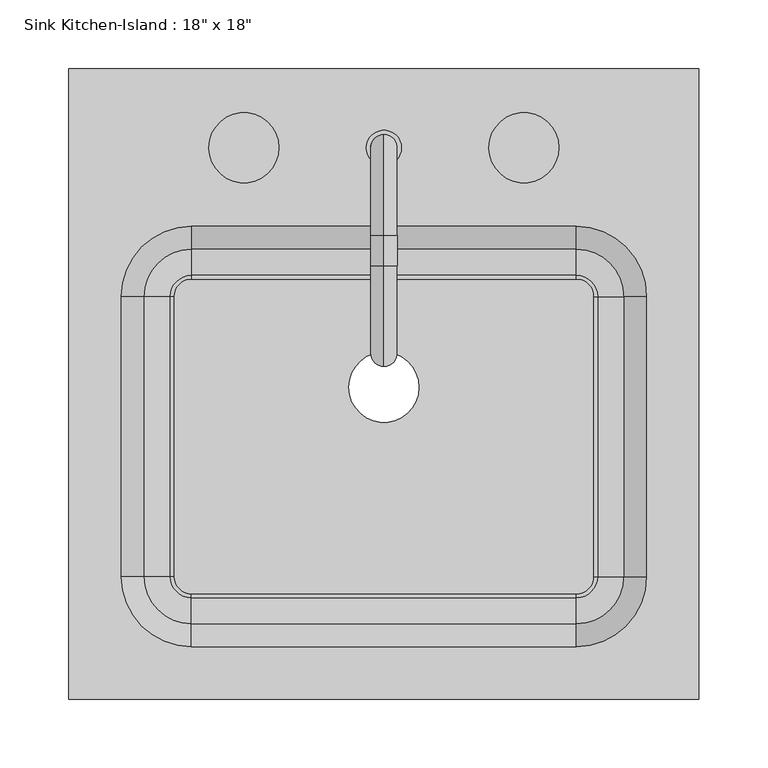
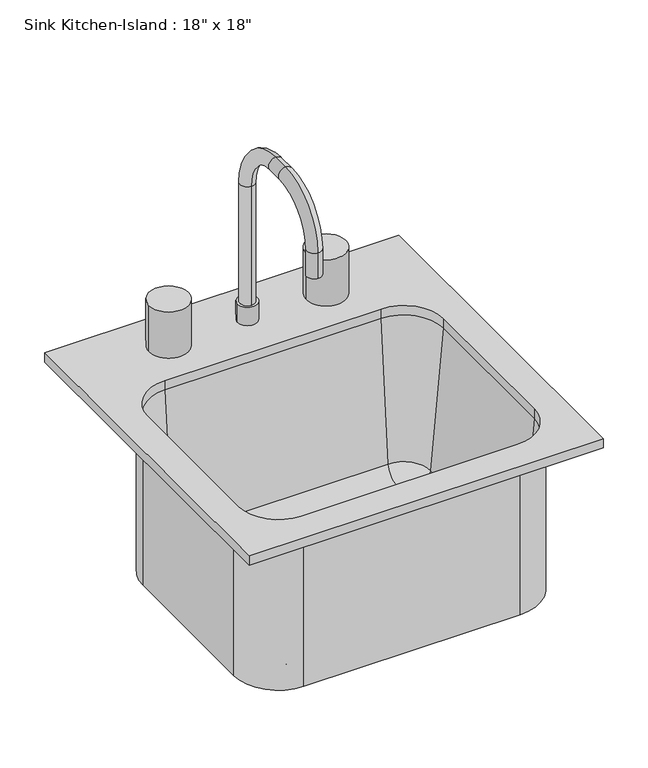
"""IFC4 building model written with IfcOpenShell, lengths in millimetres: flow terminal geometry."""

from ifc_helpers import new_model, si_unit, point, frame, frame_2d, origin, place, context, project, spatial, polyline, circle_curve, ellipse_curve, trimmed, segment, composite_curve, outline, extrude, source, transform, mapped, element, save
from ifc_brep_helpers import plane_surface, cylinder_surface, revolved_surface, advanced_brep


def flow_terminal_871c2e40(model_context):
    return source(origin(), model_context, "Body", "SolidModel", [
        advanced_brep(
        [(244.2892406, 230.9454011, 927.1), (-212.9107594, 230.9454011, 927.1), (-212.9107594, -226.2545989, 927.1), (244.2892406, -226.2545989, 927.1), (155.3892406, 116.6454011, 927.1), (206.1892406, 65.8454011, 927.1), (206.1892406, -137.3545989, 927.1), (155.3892406, -188.1545989, 927.1), (-124.0107594, -188.1545989, 927.1), (-174.8107594, -137.3545989, 927.1), (-174.8107594, 65.8454011, 927.1), (-124.0107594, 116.6454011, 927.1), (244.2892406, 230.9454011, 914.4), (244.2892406, -226.2545989, 914.4), (-212.9107594, -226.2545989, 914.4), (-212.9107594, 230.9454011, 914.4), (212.5392406, 65.8454011, 914.4), (155.3892406, 122.9954011, 914.4), (-124.0107594, 122.9954011, 914.4), (-181.1607594, 65.8454011, 914.4), (-181.1607594, -137.3545989, 914.4), (-124.0107594, -194.5045989, 914.4), (155.3892406, -194.5045989, 914.4), (212.5392406, -137.3545989, 914.4), (155.3892406, 116.6454011, 914.4), (206.1892406, 65.8454011, 914.4), (206.1892406, -137.3545989, 914.4), (155.3892406, -188.1545989, 914.4), (-124.0107594, -188.1545989, 914.4), (-174.8107594, -137.3545989, 914.4), (-174.8107594, 65.8454011, 914.4), (-124.0107594, 116.6454011, 914.4), (212.5392406, 65.8454011, 698.5), (155.3892406, 122.9954011, 698.5), (168.0892406, 65.8454011, 698.5), (155.3892406, 78.5454011, 698.5), (168.0892406, 65.8454011, 708.025), (155.3892406, 78.5454011, 708.025), (170.6776588, 65.8454011, 708.025), (155.3892406, 81.1338193, 708.025), (189.6551678, 65.8454011, 725.4146831), (155.3892406, 100.1113283, 725.4146831), (212.5392406, -137.3545989, 698.5), (168.0892406, -137.3545989, 698.5), (168.0892406, -137.3545989, 708.025), (170.6776588, -137.3545989, 708.025), (189.6551678, -137.3545989, 725.4146831), (155.3892406, -194.5045989, 698.5), (155.3892406, -150.0545989, 698.5), (155.3892406, -150.0545989, 708.025), (155.3892406, -152.6430171, 708.025), (155.3892406, -171.6205261, 725.4146831), (-124.0107594, -194.5045989, 698.5), (-124.0107594, -150.0545989, 698.5), (-124.0107594, -150.0545989, 708.025), (-124.0107594, -152.6430171, 708.025), (-124.0107594, -171.6205261, 725.4146831), (-181.1607594, -137.3545989, 698.5), (-136.7107594, -137.3545989, 698.5), (-136.7107594, -137.3545989, 708.025), (-139.2991776, -137.3545989, 708.025), (-158.2766866, -137.3545989, 725.4146831), (-181.1607594, 65.8454011, 698.5), (-136.7107594, 65.8454011, 698.5), (-136.7107594, 65.8454011, 708.025), (-139.2991776, 65.8454011, 708.025), (-158.2766866, 65.8454011, 725.4146831), (-124.0107594, 122.9954011, 698.5), (-124.0107594, 78.5454011, 698.5), (-124.0107594, 78.5454011, 708.025), (-124.0107594, 81.1338193, 708.025), (-124.0107594, 100.1113283, 725.4146831)],
        [
            (0, 1),
            (1, 2),
            (2, 3),
            (3, 0),
            (4, 5, circle_curve(frame((155.3892406, 65.8454011, 927.1), z_axis=(0.0, 0.0, -1.0), x_axis=(1.0, 0.0, 0.0)), 50.8)),
            (5, 6),
            (6, 7, circle_curve(frame((155.3892406, -137.3545989, 927.1), z_axis=(0.0, 0.0, -1.0), x_axis=(1.0, 0.0, 0.0)), 50.8)),
            (7, 8),
            (8, 9, circle_curve(frame((-124.0107594, -137.3545989, 927.1), z_axis=(0.0, 0.0, -1.0), x_axis=(1.0, 0.0, 0.0)), 50.8)),
            (9, 10),
            (10, 11, circle_curve(frame((-124.0107594, 65.8454011, 927.1), z_axis=(0.0, 0.0, -1.0), x_axis=(1.0, 0.0, 0.0)), 50.8)),
            (11, 4),
            (12, 13),
            (13, 14),
            (14, 15),
            (15, 12),
            (16, 17, circle_curve(frame((155.3892406, 65.8454011, 914.4), z_axis=(0.0, 0.0, 1.0), x_axis=(0.0, 1.0, 0.0)), 57.15)),
            (17, 18),
            (18, 19, circle_curve(frame((-124.0107594, 65.8454011, 914.4), z_axis=(0.0, 0.0, 1.0), x_axis=(-1.0, 0.0, 0.0)), 57.15)),
            (19, 20),
            (20, 21, circle_curve(frame((-124.0107594, -137.3545989, 914.4), z_axis=(0.0, 0.0, 1.0), x_axis=(0.0, -1.0, 0.0)), 57.15)),
            (21, 22),
            (22, 23, circle_curve(frame((155.3892406, -137.3545989, 914.4), z_axis=(0.0, 0.0, 1.0), x_axis=(1.0, 0.0, 0.0)), 57.15)),
            (23, 16),
            (0, 12),
            (15, 1),
            (14, 2),
            (13, 3),
            (4, 24),
            (24, 25, circle_curve(frame((155.3892406, 65.8454011, 914.4), z_axis=(0.0, 0.0, -1.0), x_axis=(1.0, 0.0, 0.0)), 50.8)),
            (25, 5),
            (25, 26),
            (26, 6),
            (26, 27, circle_curve(frame((155.3892406, -137.3545989, 914.4), z_axis=(0.0, 0.0, -1.0), x_axis=(1.0, 0.0, 0.0)), 50.8)),
            (27, 7),
            (27, 28),
            (28, 8),
            (28, 29, circle_curve(frame((-124.0107594, -137.3545989, 914.4), z_axis=(0.0, 0.0, -1.0), x_axis=(1.0, 0.0, 0.0)), 50.8)),
            (29, 9),
            (29, 30),
            (30, 10),
            (30, 31, circle_curve(frame((-124.0107594, 65.8454011, 914.4), z_axis=(0.0, 0.0, -1.0), x_axis=(1.0, 0.0, 0.0)), 50.8)),
            (31, 11),
            (31, 24),
            (32, 33, circle_curve(frame((155.3892406, 65.8454011, 698.5), z_axis=(0.0, 0.0, 1.0), x_axis=(0.0, 1.0, 0.0)), 57.15)),
            (33, 17),
            (16, 32),
            (32, 34),
            (34, 35, circle_curve(frame((155.3892406, 65.8454011, 698.5), z_axis=(0.0, 0.0, 1.0), x_axis=(0.0, 1.0, 0.0)), 12.7)),
            (35, 33),
            (34, 36),
            (36, 37, circle_curve(frame((155.3892406, 65.8454011, 708.025), z_axis=(0.0, 0.0, 1.0), x_axis=(0.0, 1.0, 0.0)), 12.7)),
            (37, 35),
            (36, 38),
            (38, 39, circle_curve(frame((155.3892406, 65.8454011, 708.025), z_axis=(0.0, 0.0, 1.0), x_axis=(0.0, 1.0, 0.0)), 15.2884182)),
            (39, 37),
            (38, 40, circle_curve(frame((170.6776588, 65.8454011, 727.075), z_axis=(0.0, -1.0, 0.0), x_axis=(1.0, 0.0, 0.0)), 19.05)),
            (40, 41, circle_curve(frame((155.3892406, 65.8454011, 725.4146831), z_axis=(0.0, 0.0, 1.0), x_axis=(0.0, 1.0, 0.0)), 34.2659272)),
            (41, 39, circle_curve(frame((155.3892406, 81.1338193, 727.075), z_axis=(-1.0, 0.0, 0.0), x_axis=(0.0, 1.0, 0.0)), 19.05)),
            (40, 25),
            (24, 41),
            (23, 42),
            (42, 32),
            (42, 43),
            (43, 34),
            (43, 44),
            (44, 36),
            (44, 45),
            (45, 38),
            (45, 46, circle_curve(frame((170.6776588, -137.3545989, 727.075), z_axis=(0.0, -1.0, 0.0), x_axis=(1.0, 0.0, 0.0)), 19.05)),
            (46, 40),
            (46, 26),
            (22, 47),
            (47, 42, circle_curve(frame((155.3892406, -137.3545989, 698.5), z_axis=(0.0, 0.0, 1.0), x_axis=(1.0, 0.0, 0.0)), 57.15)),
            (47, 48),
            (48, 43, circle_curve(frame((155.3892406, -137.3545989, 698.5), z_axis=(0.0, 0.0, 1.0), x_axis=(1.0, 0.0, 0.0)), 12.7)),
            (48, 49),
            (49, 44, circle_curve(frame((155.3892406, -137.3545989, 708.025), z_axis=(0.0, 0.0, 1.0), x_axis=(1.0, 0.0, 0.0)), 12.7)),
            (49, 50),
            (50, 45, circle_curve(frame((155.3892406, -137.3545989, 708.025), z_axis=(0.0, 0.0, 1.0), x_axis=(1.0, 0.0, 0.0)), 15.2884182)),
            (50, 51, circle_curve(frame((155.3892406, -152.6430171, 727.075), z_axis=(-1.0, 0.0, 0.0), x_axis=(0.0, -1.0, 0.0)), 19.05)),
            (51, 46, circle_curve(frame((155.3892406, -137.3545989, 725.4146831), z_axis=(0.0, 0.0, 1.0), x_axis=(1.0, 0.0, 0.0)), 34.2659272)),
            (51, 27),
            (21, 52),
            (52, 47),
            (52, 53),
            (53, 48),
            (53, 54),
            (54, 49),
            (54, 55),
            (55, 50),
            (55, 56, circle_curve(frame((-124.0107594, -152.6430171, 727.075), z_axis=(-1.0, 0.0, 0.0), x_axis=(0.0, -1.0, 0.0)), 19.05)),
            (56, 51),
            (56, 28),
            (20, 57),
            (57, 52, circle_curve(frame((-124.0107594, -137.3545989, 698.5), z_axis=(0.0, 0.0, 1.0), x_axis=(0.0, -1.0, 0.0)), 57.15)),
            (57, 58),
            (58, 53, circle_curve(frame((-124.0107594, -137.3545989, 698.5), z_axis=(0.0, 0.0, 1.0), x_axis=(0.0, -1.0, 0.0)), 12.7)),
            (58, 59),
            (59, 54, circle_curve(frame((-124.0107594, -137.3545989, 708.025), z_axis=(0.0, 0.0, 1.0), x_axis=(0.0, -1.0, 0.0)), 12.7)),
            (59, 60),
            (60, 55, circle_curve(frame((-124.0107594, -137.3545989, 708.025), z_axis=(0.0, 0.0, 1.0), x_axis=(0.0, -1.0, 0.0)), 15.2884182)),
            (60, 61, circle_curve(frame((-139.2991776, -137.3545989, 727.075), z_axis=(0.0, 1.0, 0.0), x_axis=(-1.0, 0.0, 0.0)), 19.05)),
            (61, 56, circle_curve(frame((-124.0107594, -137.3545989, 725.4146831), z_axis=(0.0, 0.0, 1.0), x_axis=(0.0, -1.0, 0.0)), 34.2659272)),
            (61, 29),
            (19, 62),
            (62, 57),
            (62, 63),
            (63, 58),
            (63, 64),
            (64, 59),
            (64, 65),
            (65, 60),
            (65, 66, circle_curve(frame((-139.2991776, 65.8454011, 727.075), z_axis=(0.0, 1.0, 0.0), x_axis=(-1.0, 0.0, 0.0)), 19.05)),
            (66, 61),
            (66, 30),
            (18, 67),
            (67, 62, circle_curve(frame((-124.0107594, 65.8454011, 698.5), z_axis=(0.0, 0.0, 1.0), x_axis=(-1.0, 0.0, 0.0)), 57.15)),
            (67, 68),
            (68, 63, circle_curve(frame((-124.0107594, 65.8454011, 698.5), z_axis=(0.0, 0.0, 1.0), x_axis=(-1.0, 0.0, 0.0)), 12.7)),
            (68, 69),
            (69, 64, circle_curve(frame((-124.0107594, 65.8454011, 708.025), z_axis=(0.0, 0.0, 1.0), x_axis=(-1.0, 0.0, 0.0)), 12.7)),
            (69, 70),
            (70, 65, circle_curve(frame((-124.0107594, 65.8454011, 708.025), z_axis=(0.0, 0.0, 1.0), x_axis=(-1.0, 0.0, 0.0)), 15.2884182)),
            (70, 71, circle_curve(frame((-124.0107594, 81.1338193, 727.075), z_axis=(1.0, 0.0, 0.0), x_axis=(0.0, 1.0, 0.0)), 19.05)),
            (71, 66, circle_curve(frame((-124.0107594, 65.8454011, 725.4146831), z_axis=(0.0, 0.0, 1.0), x_axis=(-1.0, 0.0, 0.0)), 34.2659272)),
            (71, 31),
            (33, 67),
            (35, 68),
            (37, 69),
            (39, 70),
            (41, 71),
        ],
        [
            plane_surface(frame((-212.9107594, 230.9454011, 927.1), z_axis=(0.0, 0.0, 1.0), x_axis=(-1.0, 0.0, 0.0))),
            plane_surface(frame((-212.9107594, 230.9454011, 914.4), z_axis=(0.0, 0.0, -1.0), x_axis=(1.0, 0.0, 0.0))),
            plane_surface(frame((244.2892406, 230.9454011, 927.1), z_axis=(0.0, 1.0, 0.0), x_axis=(0.0, 0.0, -1.0))),
            plane_surface(frame((-212.9107594, 230.9454011, 927.1), z_axis=(-1.0, 0.0, 0.0), x_axis=(0.0, 0.0, -1.0))),
            plane_surface(frame((-212.9107594, -226.2545989, 927.1), z_axis=(0.0, -1.0, 0.0), x_axis=(0.0, 0.0, -1.0))),
            plane_surface(frame((244.2892406, -226.2545989, 927.1), z_axis=(1.0, 0.0, 0.0), x_axis=(0.0, 0.0, -1.0))),
            revolved_surface(polyline([(206.1892406, 65.8454011, 914.4), (206.1892406, 65.8454011, 927.1)]), (155.3892406, 65.8454011, 0.0), (0.0, 0.0, -1.0)),
            plane_surface(frame((206.1892406, 65.8454011, 927.1), z_axis=(-1.0, 0.0, 0.0), x_axis=(0.0, 0.0, -1.0))),
            revolved_surface(polyline([(206.1892406, -137.3545989, 914.4), (206.1892406, -137.3545989, 927.1)]), (155.3892406, -137.3545989, 0.0), (0.0, 0.0, -1.0)),
            plane_surface(frame((155.3892406, -188.1545989, 927.1), z_axis=(0.0, 1.0, 0.0), x_axis=(0.0, 0.0, -1.0))),
            revolved_surface(polyline([(-73.2107594, -137.3545989, 914.4), (-73.2107594, -137.3545989, 927.1)]), (-124.0107594, -137.3545989, 0.0), (0.0, 0.0, -1.0)),
            plane_surface(frame((-174.8107594, -137.3545989, 927.1), z_axis=(1.0, 0.0, 0.0), x_axis=(0.0, 0.0, -1.0))),
            revolved_surface(polyline([(-73.2107594, 65.8454011, 914.4), (-73.2107594, 65.8454011, 927.1)]), (-124.0107594, 65.8454011, 0.0), (0.0, 0.0, -1.0)),
            plane_surface(frame((-124.0107594, 116.6454011, 927.1), z_axis=(0.0, -1.0, 0.0), x_axis=(0.0, 0.0, -1.0))),
            cylinder_surface(frame((155.3892406, 65.8454011, 0.0), z_axis=(0.0, 0.0, -1.0), x_axis=(0.0, 1.0, 0.0)), 57.15),
            plane_surface(frame((155.3892406, 65.8454011, 698.5), z_axis=(0.0, 0.0, -1.0), x_axis=(0.0, 1.0, 0.0))),
            revolved_surface(polyline([(155.3892406, 78.5454011, 698.5), (155.3892406, 78.5454011, 708.025)]), (155.3892406, 65.8454011, 0.0), (0.0, 0.0, -1.0)),
            plane_surface(frame((155.3892406, 65.8454011, 708.025), z_axis=(0.0, 0.0, 1.0), x_axis=(0.0, 1.0, 0.0))),
            revolved_surface(trimmed(ellipse_curve(frame((155.3892406, 81.1338193, 727.075), z_axis=(1.0, 0.0, 0.0), x_axis=(0.0, 1.0, 0.0)), 19.05, 19.05), [point((155.3892406, 81.1338193, 708.025))], [point((155.3892406, 100.1113283, 725.4146831))], True, "CARTESIAN"), (155.3892406, 65.8454011, 0.0), (0.0, 0.0, -1.0)),
            revolved_surface(polyline([(155.3892406, 100.1113283, 725.4146831), (155.3892406, 116.6454011, 914.4)]), (155.3892406, 65.8454011, 0.0), (0.0, 0.0, -1.0)),
            plane_surface(frame((212.5392406, 65.8454011, 914.4), z_axis=(1.0, 0.0, 0.0), x_axis=(0.0, -1.0, 0.0))),
            plane_surface(frame((212.5392406, 65.8454011, 698.5), z_axis=(0.0, 0.0, -1.0), x_axis=(0.0, -1.0, 0.0))),
            plane_surface(frame((168.0892406, 65.8454011, 698.5), z_axis=(-1.0, 0.0, 0.0), x_axis=(0.0, -1.0, 0.0))),
            plane_surface(frame((168.0892406, 65.8454011, 708.025), z_axis=(0.0, 0.0, 1.0), x_axis=(0.0, -1.0, 0.0))),
            revolved_surface(polyline([(189.7276588, -137.3545989, 727.075), (189.7276588, 65.8454011, 727.075)]), (170.6776588, 65.8454011, 727.075), (0.0, -1.0, 0.0)),
            plane_surface(frame((189.6551678, 65.8454011, 725.4146831), z_axis=(-0.9961946980917443, 0.0, 0.08715574274767254), x_axis=(0.0, -1.0, 0.0))),
            cylinder_surface(frame((155.3892406, -137.3545989, 0.0), z_axis=(0.0, 0.0, -1.0), x_axis=(1.0, 0.0, 0.0)), 57.15),
            plane_surface(frame((155.3892406, -137.3545989, 698.5), z_axis=(0.0, 0.0, -1.0), x_axis=(1.0, 0.0, 0.0))),
            revolved_surface(polyline([(168.08924059999998, -137.3545989, 698.5), (168.08924059999998, -137.3545989, 708.025)]), (155.3892406, -137.3545989, 0.0), (0.0, 0.0, -1.0)),
            plane_surface(frame((155.3892406, -137.3545989, 708.025), z_axis=(0.0, 0.0, 1.0), x_axis=(1.0, 0.0, 0.0))),
            revolved_surface(trimmed(ellipse_curve(frame((170.6776588, -137.3545989, 727.075), z_axis=(0.0, -1.0, 0.0), x_axis=(1.0, 0.0, 0.0)), 19.05, 19.05), [point((170.6776588, -137.3545989, 708.025))], [point((189.6551678, -137.3545989, 725.4146831))], True, "CARTESIAN"), (155.3892406, -137.3545989, 0.0), (0.0, 0.0, -1.0)),
            revolved_surface(polyline([(189.6551678, -137.3545989, 725.4146831), (206.1892406, -137.3545989, 914.4)]), (155.3892406, -137.3545989, 0.0), (0.0, 0.0, -1.0)),
            plane_surface(frame((155.3892406, -194.5045989, 914.4), z_axis=(0.0, -1.0, 0.0), x_axis=(-1.0, 0.0, 0.0))),
            plane_surface(frame((155.3892406, -194.5045989, 698.5), z_axis=(0.0, 0.0, -1.0), x_axis=(-1.0, 0.0, 0.0))),
            plane_surface(frame((155.3892406, -150.0545989, 698.5), z_axis=(0.0, 1.0, 0.0), x_axis=(-1.0, 0.0, 0.0))),
            plane_surface(frame((155.3892406, -150.0545989, 708.025), z_axis=(0.0, 0.0, 1.0), x_axis=(-1.0, 0.0, 0.0))),
            revolved_surface(polyline([(-124.01075939999998, -171.69301710000002, 727.075), (155.3892406, -171.69301710000002, 727.075)]), (155.3892406, -152.6430171, 727.075), (-1.0, 0.0, 0.0)),
            plane_surface(frame((155.3892406, -171.6205261, 725.4146831), z_axis=(0.0, 0.9961946980917443, 0.08715574274767254), x_axis=(-1.0, 0.0, 0.0))),
            cylinder_surface(frame((-124.0107594, -137.3545989, 0.0), z_axis=(0.0, 0.0, -1.0), x_axis=(0.0, -1.0, 0.0)), 57.15),
            plane_surface(frame((-124.0107594, -137.3545989, 698.5), z_axis=(0.0, 0.0, -1.0), x_axis=(0.0, -1.0, 0.0))),
            revolved_surface(polyline([(-124.0107594, -150.0545989, 698.5), (-124.0107594, -150.0545989, 708.025)]), (-124.0107594, -137.3545989, 0.0), (0.0, 0.0, -1.0)),
            plane_surface(frame((-124.0107594, -137.3545989, 708.025), z_axis=(0.0, 0.0, 1.0), x_axis=(0.0, -1.0, 0.0))),
            revolved_surface(trimmed(ellipse_curve(frame((-124.0107594, -152.6430171, 727.075), z_axis=(-1.0, 0.0, 0.0), x_axis=(0.0, -1.0, 0.0)), 19.05, 19.05), [point((-124.0107594, -152.6430171, 708.025))], [point((-124.0107594, -171.6205261, 725.4146831))], True, "CARTESIAN"), (-124.0107594, -137.3545989, 0.0), (0.0, 0.0, -1.0)),
            revolved_surface(polyline([(-124.0107594, -171.6205261, 725.4146831), (-124.0107594, -188.1545989, 914.4)]), (-124.0107594, -137.3545989, 0.0), (0.0, 0.0, -1.0)),
            plane_surface(frame((-181.1607594, -137.3545989, 914.4), z_axis=(-1.0, 0.0, 0.0), x_axis=(0.0, 1.0, 0.0))),
            plane_surface(frame((-181.1607594, -137.3545989, 698.5), z_axis=(0.0, 0.0, -1.0), x_axis=(0.0, 1.0, 0.0))),
            plane_surface(frame((-136.7107594, -137.3545989, 698.5), z_axis=(1.0, 0.0, 0.0), x_axis=(0.0, 1.0, 0.0))),
            plane_surface(frame((-136.7107594, -137.3545989, 708.025), z_axis=(0.0, 0.0, 1.0), x_axis=(0.0, 1.0, 0.0))),
            revolved_surface(polyline([(-158.34917760000002, 65.8454011, 727.075), (-158.34917760000002, -137.3545989, 727.075)]), (-139.2991776, -137.3545989, 727.075), (0.0, 1.0, 0.0)),
            plane_surface(frame((-158.2766866, -137.3545989, 725.4146831), z_axis=(0.9961946980917443, 0.0, 0.08715574274767254), x_axis=(0.0, 1.0, 0.0))),
            cylinder_surface(frame((-124.0107594, 65.8454011, 0.0), z_axis=(0.0, 0.0, -1.0), x_axis=(-1.0, 0.0, 0.0)), 57.15),
            plane_surface(frame((-124.0107594, 65.8454011, 698.5), z_axis=(0.0, 0.0, -1.0), x_axis=(-1.0, 0.0, 0.0))),
            revolved_surface(polyline([(-136.7107594, 65.8454011, 698.5), (-136.7107594, 65.8454011, 708.025)]), (-124.0107594, 65.8454011, 0.0), (0.0, 0.0, -1.0)),
            plane_surface(frame((-124.0107594, 65.8454011, 708.025), z_axis=(0.0, 0.0, 1.0), x_axis=(-1.0, 0.0, 0.0))),
            revolved_surface(trimmed(ellipse_curve(frame((-139.2991776, 65.8454011, 727.075), z_axis=(0.0, 1.0, 0.0), x_axis=(-1.0, 0.0, 0.0)), 19.05, 19.05), [point((-139.2991776, 65.8454011, 708.025))], [point((-158.2766866, 65.8454011, 725.4146831))], True, "CARTESIAN"), (-124.0107594, 65.8454011, 0.0), (0.0, 0.0, -1.0)),
            revolved_surface(polyline([(-158.2766866, 65.8454011, 725.4146831), (-174.8107594, 65.8454011, 914.4)]), (-124.0107594, 65.8454011, 0.0), (0.0, 0.0, -1.0)),
            plane_surface(frame((-124.0107594, 122.9954011, 914.4), z_axis=(0.0, 1.0, 0.0), x_axis=(1.0, 0.0, 0.0))),
            plane_surface(frame((-124.0107594, 122.9954011, 698.5), z_axis=(0.0, 0.0, -1.0), x_axis=(1.0, 0.0, 0.0))),
            plane_surface(frame((-124.0107594, 78.5454011, 698.5), z_axis=(0.0, -1.0, 0.0), x_axis=(1.0, 0.0, 0.0))),
            plane_surface(frame((-124.0107594, 78.5454011, 708.025), z_axis=(0.0, 0.0, 1.0), x_axis=(1.0, 0.0, 0.0))),
            revolved_surface(polyline([(155.3892406, 100.1838193, 727.075), (-124.0107594, 100.1838193, 727.075)]), (-124.0107594, 81.1338193, 727.075), (1.0, 0.0, 0.0)),
            plane_surface(frame((-124.0107594, 100.1113283, 725.4146831), z_axis=(0.0, -0.9961946980917443, 0.08715574274767254), x_axis=(1.0, 0.0, 0.0))),
        ],
        [
            (0, [[1, 2, 3, 4], [5, 6, 7, 8, 9, 10, 11, 12]]),
            (1, [[13, 14, 15, 16], [17, 18, 19, 20, 21, 22, 23, 24]]),
            (2, [[-1, 25, -16, 26]]),
            (3, [[-2, -26, -15, 27]]),
            (4, [[-3, -27, -14, 28]]),
            (5, [[-4, -28, -13, -25]]),
            (6, [[-5, 29, 30, 31]]),
            (7, [[-6, -31, 32, 33]]),
            (8, [[-7, -33, 34, 35]]),
            (9, [[-8, -35, 36, 37]]),
            (10, [[-9, -37, 38, 39]]),
            (11, [[-10, -39, 40, 41]]),
            (12, [[-11, -41, 42, 43]]),
            (13, [[-12, -43, 44, -29]]),
            (14, [[45, 46, -17, 47]]),
            (15, [[-45, 48, 49, 50]]),
            (16, [[-49, 51, 52, 53]]),
            (17, [[-52, 54, 55, 56]]),
            (18, [[-55, 57, 58, 59]]),
            (19, [[-58, 60, -30, 61]]),
            (20, [[-47, -24, 62, 63]]),
            (21, [[-48, -63, 64, 65]]),
            (22, [[-51, -65, 66, 67]]),
            (23, [[-54, -67, 68, 69]]),
            (24, [[-57, -69, 70, 71]]),
            (25, [[-60, -71, 72, -32]]),
            (26, [[-62, -23, 73, 74]]),
            (27, [[-64, -74, 75, 76]]),
            (28, [[-66, -76, 77, 78]]),
            (29, [[-68, -78, 79, 80]]),
            (30, [[-70, -80, 81, 82]]),
            (31, [[-72, -82, 83, -34]]),
            (32, [[-73, -22, 84, 85]]),
            (33, [[-75, -85, 86, 87]]),
            (34, [[-77, -87, 88, 89]]),
            (35, [[-79, -89, 90, 91]]),
            (36, [[-81, -91, 92, 93]]),
            (37, [[-83, -93, 94, -36]]),
            (38, [[-84, -21, 95, 96]]),
            (39, [[-86, -96, 97, 98]]),
            (40, [[-88, -98, 99, 100]]),
            (41, [[-90, -100, 101, 102]]),
            (42, [[-92, -102, 103, 104]]),
            (43, [[-94, -104, 105, -38]]),
            (44, [[-95, -20, 106, 107]]),
            (45, [[-97, -107, 108, 109]]),
            (46, [[-99, -109, 110, 111]]),
            (47, [[-101, -111, 112, 113]]),
            (48, [[-103, -113, 114, 115]]),
            (49, [[-105, -115, 116, -40]]),
            (50, [[-106, -19, 117, 118]]),
            (51, [[-108, -118, 119, 120]]),
            (52, [[-110, -120, 121, 122]]),
            (53, [[-112, -122, 123, 124]]),
            (54, [[-114, -124, 125, 126]]),
            (55, [[-116, -126, 127, -42]]),
            (56, [[-46, 128, -117, -18]]),
            (57, [[-50, 129, -119, -128]]),
            (58, [[-53, 130, -121, -129]]),
            (59, [[-56, 131, -123, -130]]),
            (60, [[-59, 132, -125, -131]]),
            (61, [[-61, -44, -127, -132]]),
        ],
    ),
        advanced_brep(
        [(2.9892406, 173.7954011, 927.1), (28.3892406, 173.7954011, 927.1), (15.6892406, 183.3204011, 1114.425), (15.6892406, 164.2704011, 1114.425), (15.6892406, 164.2704011, 952.5), (15.6892406, 183.3204011, 952.5), (15.6892406, 110.2954011, 1187.45), (15.6892406, 110.2954011, 1168.4), (15.6892406, 88.0704011, 1187.45), (15.6892406, 88.0704011, 1168.4), (15.6892406, 15.0454011, 1114.425), (15.6892406, 34.0954011, 1114.425), (15.6892406, 15.0454011, 1079.5), (15.6892406, 34.0954011, 1079.5), (2.9892406, 173.7954011, 952.5), (28.3892406, 173.7954011, 952.5)],
        [
            (0, 1, circle_curve(frame((15.6892406, 173.7954011, 927.1), z_axis=(0.0, 0.0, -1.0), x_axis=(1.0, 0.0, 0.0)), 12.7)),
            (1, 0, circle_curve(frame((15.6892406, 173.7954011, 927.1), z_axis=(0.0, 0.0, -1.0), x_axis=(1.0, 0.0, 0.0)), 12.7)),
            (2, 3, circle_curve(frame((15.6892406, 173.7954011, 1114.425), z_axis=(0.0, 0.0, -1.0), x_axis=(0.0, -1.0, 0.0)), 9.525)),
            (3, 4),
            (4, 5, circle_curve(frame((15.6892406, 173.7954011, 952.5), z_axis=(0.0, 0.0, 1.0), x_axis=(0.0, -1.0, 0.0)), 9.525)),
            (5, 2),
            (3, 2, circle_curve(frame((15.6892406, 173.7954011, 1114.425), z_axis=(0.0, 0.0, -1.0), x_axis=(0.0, -1.0, 0.0)), 9.525)),
            (5, 4, circle_curve(frame((15.6892406, 173.7954011, 952.5), z_axis=(0.0, 0.0, 1.0), x_axis=(0.0, -1.0, 0.0)), 9.525)),
            (2, 6, circle_curve(frame((15.6892406, 110.2954011, 1114.425), z_axis=(1.0, 0.0, 0.0), x_axis=(0.0, 1.0, 0.0)), 73.025)),
            (6, 7, circle_curve(frame((15.6892406, 110.2954011, 1177.925), z_axis=(0.0, 1.0, 0.0), x_axis=(0.0, 0.0, -1.0)), 9.525)),
            (7, 3, circle_curve(frame((15.6892406, 110.2954011, 1114.425), z_axis=(-1.0, 0.0, 0.0), x_axis=(0.0, 1.0, 0.0)), 53.975)),
            (7, 6, circle_curve(frame((15.6892406, 110.2954011, 1177.925), z_axis=(0.0, 1.0, 0.0), x_axis=(0.0, 0.0, -1.0)), 9.525)),
            (6, 8),
            (8, 9, circle_curve(frame((15.6892406, 88.0704011, 1177.925), z_axis=(0.0, 1.0, 0.0), x_axis=(0.0, 0.0, -1.0)), 9.525)),
            (9, 7),
            (9, 8, circle_curve(frame((15.6892406, 88.0704011, 1177.925), z_axis=(0.0, 1.0, 0.0), x_axis=(0.0, 0.0, -1.0)), 9.525)),
            (8, 10, circle_curve(frame((15.6892406, 88.0704011, 1114.425), z_axis=(1.0, 0.0, 0.0), x_axis=(0.0, 0.0, 1.0)), 73.025)),
            (10, 11, circle_curve(frame((15.6892406, 24.5704011, 1114.425), z_axis=(0.0, 0.0, 1.0), x_axis=(0.0, 1.0, 0.0)), 9.525)),
            (11, 9, circle_curve(frame((15.6892406, 88.0704011, 1114.425), z_axis=(-1.0, 0.0, 0.0), x_axis=(0.0, 0.0, 1.0)), 53.975)),
            (11, 10, circle_curve(frame((15.6892406, 24.5704011, 1114.425), z_axis=(0.0, 0.0, 1.0), x_axis=(0.0, 1.0, 0.0)), 9.525)),
            (12, 13, circle_curve(frame((15.6892406, 24.5704011, 1079.5), z_axis=(0.0, 0.0, -1.0), x_axis=(0.0, 1.0, 0.0)), 9.525)),
            (13, 12, circle_curve(frame((15.6892406, 24.5704011, 1079.5), z_axis=(0.0, 0.0, -1.0), x_axis=(0.0, 1.0, 0.0)), 9.525)),
            (10, 12),
            (13, 11),
            (14, 15, circle_curve(frame((15.6892406, 173.7954011, 952.5), z_axis=(0.0, 0.0, 1.0), x_axis=(1.0, 0.0, 0.0)), 12.7)),
            (15, 14, circle_curve(frame((15.6892406, 173.7954011, 952.5), z_axis=(0.0, 0.0, 1.0), x_axis=(1.0, 0.0, 0.0)), 12.7)),
            (14, 0),
            (1, 15),
        ],
        [
            plane_surface(frame((15.6892406, 164.2704011, 927.1), z_axis=(0.0, 0.0, -1.0), x_axis=(1.0, 0.0, 0.0))),
            cylinder_surface(frame((15.6892406, 173.7954011, 927.1), z_axis=(0.0, 0.0, -1.0), x_axis=(0.0, -1.0, 0.0)), 9.525),
            revolved_surface(trimmed(ellipse_curve(frame((15.6892406, 173.7954011, 1114.425), z_axis=(0.0, 0.0, -1.0), x_axis=(0.0, -1.0, 0.0)), 9.525, 9.525), [point((15.6892406, 183.3204011, 1114.425))], [point((15.6892406, 164.2704011, 1114.425))], True, "CARTESIAN"), (15.6892406, 110.2954011, 1114.425), (1.0, 0.0, 0.0)),
            revolved_surface(trimmed(ellipse_curve(frame((15.6892406, 173.7954011, 1114.425), z_axis=(0.0, 0.0, -1.0), x_axis=(0.0, -1.0, 0.0)), 9.525, 9.525), [point((15.6892406, 164.2704011, 1114.425))], [point((15.6892406, 183.3204011, 1114.425))], True, "CARTESIAN"), (15.6892406, 110.2954011, 1114.425), (1.0, 0.0, 0.0)),
            cylinder_surface(frame((15.6892406, 110.2954011, 1177.925), z_axis=(0.0, 1.0, 0.0), x_axis=(0.0, 0.0, -1.0)), 9.525),
            revolved_surface(trimmed(ellipse_curve(frame((15.6892406, 88.0704011, 1177.925), z_axis=(0.0, 1.0, 0.0), x_axis=(0.0, 0.0, -1.0)), 9.525, 9.525), [point((15.6892406, 88.0704011, 1187.45))], [point((15.6892406, 88.0704011, 1168.4))], True, "CARTESIAN"), (15.6892406, 88.0704011, 1114.425), (1.0, 0.0, 0.0)),
            revolved_surface(trimmed(ellipse_curve(frame((15.6892406, 88.0704011, 1177.925), z_axis=(0.0, 1.0, 0.0), x_axis=(0.0, 0.0, -1.0)), 9.525, 9.525), [point((15.6892406, 88.0704011, 1168.4))], [point((15.6892406, 88.0704011, 1187.45))], True, "CARTESIAN"), (15.6892406, 88.0704011, 1114.425), (1.0, 0.0, 0.0)),
            plane_surface(frame((15.6892406, 15.0454011, 1079.5), z_axis=(0.0, 0.0, -1.0), x_axis=(-1.0, 0.0, 0.0))),
            cylinder_surface(frame((15.6892406, 24.5704011, 1114.425), z_axis=(0.0, 0.0, 1.0), x_axis=(0.0, 1.0, 0.0)), 9.525),
            plane_surface(frame((28.3892406, 173.7954011, 952.5), z_axis=(0.0, 0.0, 1.0), x_axis=(0.0, 1.0, 0.0))),
            cylinder_surface(frame((15.6892406, 173.7954011, 927.1), z_axis=(0.0, 0.0, 1.0), x_axis=(1.0, 0.0, 0.0)), 12.7),
        ],
        [
            (0, [[1, 2]]),
            (1, [[3, 4, 5, 6]]),
            (1, [[7, -6, 8, -4]]),
            (2, [[-3, 9, 10, 11]]),
            (3, [[-7, -11, 12, -9]]),
            (4, [[-10, 13, 14, 15]]),
            (4, [[-12, -15, 16, -13]]),
            (5, [[-14, 17, 18, 19]]),
            (6, [[-16, -19, 20, -17]]),
            (7, [[21, 22]]),
            (8, [[-18, 23, -22, 24]]),
            (8, [[-20, -24, -21, -23]]),
            (9, [[25, 26], [-5, -8]]),
            (10, [[-25, 27, -2, 28]]),
            (10, [[-26, -28, -1, -27]]),
        ],
    ),
        extrude(outline(composite_curve([segment(trimmed(circle_curve(frame_2d((-85.9107594, 173.7954011)), 25.4), [point((-111.3107594, 173.7954011))], [point((-60.5107594, 173.7954011))], False, "CARTESIAN"), True, "CONTINUOUS"), segment(trimmed(circle_curve(frame_2d((-85.9107594, 173.7954011)), 25.4), [point((-60.5107594, 173.7954011))], [point((-111.3107594, 173.7954011))], False, "CARTESIAN"), True, "CONTINUOUS")], self_intersect=False)), frame((0.0, 0.0, 927.1), z_axis=(0.0, 0.0, 1.0), x_axis=(1.0, 0.0, 0.0)), (0.0, 0.0, 1.0), 63.5),
        extrude(outline(composite_curve([segment(trimmed(circle_curve(frame_2d((117.2892406, 173.7954011)), 25.4), [point((91.8892406, 173.7954011))], [point((142.6892406, 173.7954011))], False, "CARTESIAN"), True, "CONTINUOUS"), segment(trimmed(circle_curve(frame_2d((117.2892406, 173.7954011)), 25.4), [point((142.6892406, 173.7954011))], [point((91.8892406, 173.7954011))], False, "CARTESIAN"), True, "CONTINUOUS")], self_intersect=False)), frame((0.0, 0.0, 927.1), z_axis=(0.0, 0.0, 1.0), x_axis=(1.0, 0.0, 0.0)), (0.0, 0.0, 1.0), 63.5),
        extrude(outline(composite_curve([segment(trimmed(circle_curve(frame_2d((155.3892406, 65.8454011)), 12.7), [point((155.3892406, 78.5454011))], [point((168.0892406, 65.8454011))], False, "CARTESIAN"), True, "CONTINUOUS"), segment(polyline([(168.0892406, 65.8454011), (168.0892406, -137.3545989)]), True, "CONTINUOUS"), segment(trimmed(circle_curve(frame_2d((155.3892406, -137.3545989)), 12.7), [point((168.0892406, -137.3545989))], [point((155.3892406, -150.0545989))], False, "CARTESIAN"), True, "CONTINUOUS"), segment(polyline([(155.3892406, -150.0545989), (-124.0107594, -150.0545989)]), True, "CONTINUOUS"), segment(trimmed(circle_curve(frame_2d((-124.0107594, -137.3545989)), 12.7), [point((-124.0107594, -150.0545989))], [point((-136.7107594, -137.3545989))], False, "CARTESIAN"), True, "CONTINUOUS"), segment(polyline([(-136.7107594, -137.3545989), (-136.7107594, 65.8454011)]), True, "CONTINUOUS"), segment(trimmed(circle_curve(frame_2d((-124.0107594, 65.8454011)), 12.7), [point((-136.7107594, 65.8454011))], [point((-124.0107594, 78.5454011))], False, "CARTESIAN"), True, "CONTINUOUS"), segment(polyline([(-124.0107594, 78.5454011), (155.3892406, 78.5454011)]), True, "CONTINUOUS")], self_intersect=False), holes=[composite_curve([segment(trimmed(circle_curve(frame_2d((15.6892406, 0.0)), 25.4), [point((-9.7107594, 0.0))], [point((41.0892406, 0.0))], True, "CARTESIAN"), True, "CONTINUOUS"), segment(trimmed(circle_curve(frame_2d((15.6892406, 0.0)), 25.4), [point((41.0892406, 0.0))], [point((-9.7107594, 0.0))], True, "CARTESIAN"), True, "CONTINUOUS")], self_intersect=False)]), frame((0.0, 0.0, 698.5), z_axis=(0.0, 0.0, 1.0), x_axis=(1.0, 0.0, 0.0)), (0.0, 0.0, 1.0), 9.525),
    ])


if __name__ == "__main__":
    model = new_model("IFC4")
    model_context = context("Model", 3, world=origin())
    ifc_project = project(units=[si_unit("LENGTHUNIT", "METRE", prefix="MILLI")], contexts=[model_context])
    site = spatial("IfcSite", under=ifc_project)
    building = spatial("IfcBuilding", under=site)
    placement = place(None, origin())
    flow_terminal_shape = flow_terminal_871c2e40(model_context)
    element("IfcFlowTerminal", 1, ObjectType="Sink Kitchen-Island : 18\" x 18\"", at=placement, inside=building, context=model_context, shape_type="MappedRepresentation", body=[
        mapped(flow_terminal_shape, transform((0.0, 0.0, 0.0), x_axis=(1.0, 0.0, 0.0), y_axis=(0.0, 1.0, 0.0), z_axis=(0.0, 0.0, 1.0))),
    ])
    save(model, "model.ifc")
